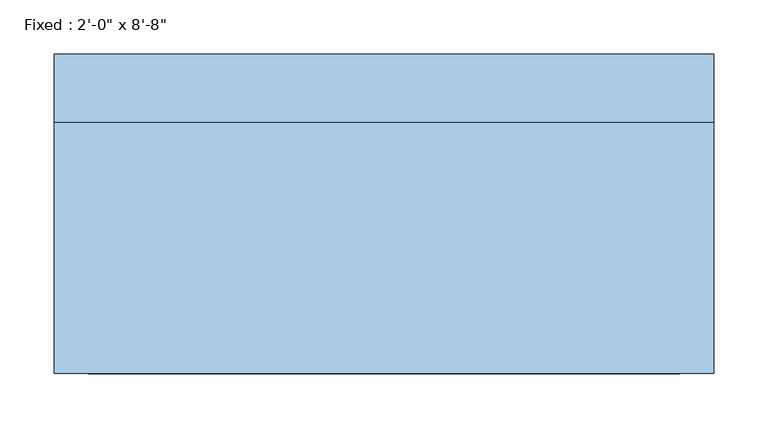
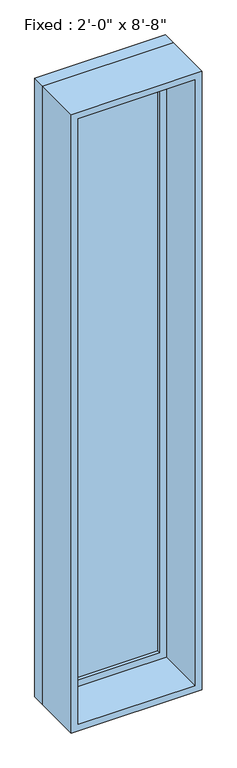
"""IFC4 building model written with IfcOpenShell, lengths in millimetres: window geometry."""

import ifcopenshell
import ifcopenshell.guid

model = None  # the IFC model being written
_history = None  # IfcOwnerHistory: only IFC2X3 demands one
_inside = {}  # id of a spatial element -> (the spatial element, [elements in it])
_under = {}  # id of a project, library or spatial element -> (it, [spatial elements below it])
_declared = {}  # id of a project -> (the project, [libraries it declares])
_typed = {}  # id of a type object -> (the type object, [elements of that type])
_made_of = {}  # id of a material, layer set ... -> (it, [elements and type objects made of it])


def new_model(schema):
    """Start an empty IFC model of exactly this schema.

    Asked for "IFC4X3", IfcOpenShell would pick the latest addendum, in which some entities
    have other attributes; the version numbers below select the first issue.
    IFC2X3 requires an IfcOwnerHistory on every rooted entity: one is made here for all.
    """
    global model, _history
    if schema == "IFC4X3":
        model = ifcopenshell.file(schema_version=(4, 3, 0, 0))
    else:
        model = ifcopenshell.file(schema=schema)
    _inside.clear()
    _under.clear()
    _declared.clear()
    _typed.clear()
    _made_of.clear()
    _history = None
    if model.schema == "IFC2X3":
        org = make("IfcOrganization", Name="unknown")
        user = make(
            "IfcPersonAndOrganization",
            ThePerson=make("IfcPerson", FamilyName="unknown"),
            TheOrganization=org,
        )
        app = make(
            "IfcApplication",
            ApplicationDeveloper=org,
            Version="unknown",
            ApplicationFullName="unknown",
            ApplicationIdentifier="unknown",
        )
        _history = make(
            "IfcOwnerHistory",
            OwningUser=user,
            OwningApplication=app,
            ChangeAction="ADDED",
            CreationDate=0,
        )
    return model


def make(cls, **values):
    """One entity of the class cls with the attributes given. An attribute that is None is left unset."""
    return model.create_entity(
        cls, **{name: value for name, value in values.items() if value is not None}
    )


def rooted(cls, **values):
    """An entity with a GlobalId (a new one), such as an element, a storey or a relation."""
    return make(cls, GlobalId=ifcopenshell.guid.new(), OwnerHistory=_history, **values)


def si_unit(unit_type, name, prefix=None):
    """IfcSIUnit, for example si_unit("LENGTHUNIT", "METRE", prefix="MILLI")."""
    return make("IfcSIUnit", UnitType=unit_type, Prefix=prefix, Name=name)


def assignment(units):
    """IfcUnitAssignment: the units of a project."""
    return None if units is None else make("IfcUnitAssignment", Units=units)


def point(xyz):
    """IfcCartesianPoint."""
    return None if xyz is None else make("IfcCartesianPoint", Coordinates=xyz)


def direction(xyz):
    """IfcDirection."""
    return None if xyz is None else make("IfcDirection", DirectionRatios=xyz)


def frame(location, z_axis=None, x_axis=None):
    """IfcAxis2Placement3D, a coordinate frame: its origin and axes. An axis left out is left unset."""
    return make(
        "IfcAxis2Placement3D",
        Location=point(location),
        Axis=direction(z_axis),
        RefDirection=direction(x_axis),
    )


def origin():
    """The frame at (0, 0, 0) with its axes left unset."""
    return frame((0.0, 0.0, 0.0))


def place(relative_to, where):
    """IfcLocalPlacement: puts the frame where relative to a parent placement (None: the world)."""
    return make(
        "IfcLocalPlacement", PlacementRelTo=relative_to, RelativePlacement=where
    )


def context(
    kind, dimensions, precision=None, world=None, true_north=None, identifier=None
):
    """IfcGeometricRepresentationContext, for example the 3D "Model" context."""
    return make(
        "IfcGeometricRepresentationContext",
        ContextIdentifier=identifier,
        ContextType=kind,
        CoordinateSpaceDimension=dimensions,
        Precision=precision,
        WorldCoordinateSystem=world,
        TrueNorth=true_north,
    )


def project(units=None, contexts=None):
    """IfcProject with its units and contexts."""
    return rooted(
        "IfcProject",
        Name="project",
        RepresentationContexts=contexts,
        UnitsInContext=assignment(units),
    )


def spatial(cls, under=None, at=None, **own):
    """A site, building, storey or space (cls), placed at a placement, below another one or the project."""
    s = rooted(cls, ObjectPlacement=at, **own)
    if under is not None:
        _under.setdefault(under.id(), (under, []))[1].append(s)
    return s


def polyline(points):
    """IfcPolyline through the points."""
    return make("IfcPolyline", Points=[point(p) for p in points])


def outline(outer, holes=None, kind="AREA"):
    """IfcArbitraryClosedProfileDef: a profile drawn as a closed curve; with holes, ...WithVoids."""
    if holes is None:
        return make("IfcArbitraryClosedProfileDef", ProfileType=kind, OuterCurve=outer)
    return make(
        "IfcArbitraryProfileDefWithVoids",
        ProfileType=kind,
        OuterCurve=outer,
        InnerCurves=holes,
    )


def extrude(swept, where, along, depth):
    """IfcExtrudedAreaSolid: the profile swept, set in the frame where, extruded along a direction by depth."""
    return make(
        "IfcExtrudedAreaSolid",
        SweptArea=swept,
        Position=where,
        ExtrudedDirection=direction(along),
        Depth=depth,
    )


def shape(context_of_items, identifier, shape_type, items):
    """IfcShapeRepresentation: the items that make up one representation, for example the "Body"."""
    return make(
        "IfcShapeRepresentation",
        ContextOfItems=context_of_items,
        RepresentationIdentifier=identifier,
        RepresentationType=shape_type,
        Items=items,
    )


def source(mapping_origin, context_of_items, identifier, shape_type, items):
    """IfcRepresentationMap: a shape defined once, which mapped items show again and again."""
    return make(
        "IfcRepresentationMap",
        MappingOrigin=mapping_origin,
        MappedRepresentation=shape(context_of_items, identifier, shape_type, items),
    )


def transform(
    local_origin,
    x_axis=None,
    y_axis=None,
    z_axis=None,
    scale=None,
    scale2=None,
    scale3=None,
    uniform=True,
):
    """IfcCartesianTransformationOperator3D, or its non-uniform kind. x_axis, y_axis, z_axis: its Axis1, 2, 3."""
    if uniform:
        return make(
            "IfcCartesianTransformationOperator3D",
            Axis1=direction(x_axis),
            Axis2=direction(y_axis),
            LocalOrigin=point(local_origin),
            Scale=scale,
            Axis3=direction(z_axis),
        )
    return make(
        "IfcCartesianTransformationOperator3DnonUniform",
        Axis1=direction(x_axis),
        Axis2=direction(y_axis),
        LocalOrigin=point(local_origin),
        Scale=scale,
        Axis3=direction(z_axis),
        Scale2=scale2,
        Scale3=scale3,
    )


def mapped(mapping_source, mapping_target):
    """IfcMappedItem: shows the shape of a source again, moved by a transform."""
    return make(
        "IfcMappedItem", MappingSource=mapping_source, MappingTarget=mapping_target
    )


def made_of(thing, what):
    """Note that an element or type object is made of a material, layer set ...; save() writes the relation."""
    if what is not None:
        _made_of.setdefault(what.id(), (what, []))[1].append(thing)
    return thing


def element(
    cls,
    number,
    at=None,
    inside=None,
    cuts=None,
    type_object=None,
    material=None,
    context=None,
    identifier="Body",
    shape_type=None,
    held_by="IfcProductDefinitionShape",
    body=None,
    shapes=None,
    **own,
):
    """One element of the class cls, such as IfcWall. Its Tag is "e" and its number.

    at: its placement. inside: the storey or other place that contains it. cuts: it is an
    opening in that element (IfcRelVoidsElement). A single representation is given by context,
    identifier, shape_type and body (its items); several are given by shapes. held_by: the class
    of the entity that holds the representations. save() writes the other relations.
    """
    e = rooted(cls, Tag="e%d" % number, ObjectPlacement=at, **own)
    if body is not None:
        shapes = [shape(context, identifier, shape_type, body)]
    if shapes is not None:
        e.Representation = make(held_by, Representations=shapes)
    if inside is not None:
        _inside.setdefault(inside.id(), (inside, []))[1].append(e)
    if cuts is not None:
        rooted(
            "IfcRelVoidsElement", RelatingBuildingElement=cuts, RelatedOpeningElement=e
        )
    if type_object is not None:
        _typed.setdefault(type_object.id(), (type_object, []))[1].append(e)
    return made_of(e, material)


def aggregate(whole, parts):
    """IfcRelAggregates: a whole, such as a stair, and the parts it consists of."""
    return rooted("IfcRelAggregates", RelatingObject=whole, RelatedObjects=parts)


def save(model, path):
    """Write the relations noted so far, then the file.

    IfcRelAggregates (storeys below a building ...), IfcRelContainedInSpatialStructure (elements
    in a storey), IfcRelDefinesByType, IfcRelAssociatesMaterial and IfcRelDeclares: one each for
    every whole, place, type object, material and project.
    """
    for whole, parts in _under.values():
        aggregate(whole, parts)
    for where, things in _inside.values():
        rooted(
            "IfcRelContainedInSpatialStructure",
            RelatedElements=things,
            RelatingStructure=where,
        )
    for kind, things in _typed.values():
        rooted("IfcRelDefinesByType", RelatedObjects=things, RelatingType=kind)
    for what, things in _made_of.values():
        rooted("IfcRelAssociatesMaterial", RelatedObjects=things, RelatingMaterial=what)
    for by, libraries in _declared.values():
        rooted("IfcRelDeclares", RelatingContext=by, RelatedDefinitions=libraries)
    model.write(path)


def window_1ca2a4f0(model_context):
    return source(origin(), model_context, "Body", "SweptSolid", [
        extrude(outline(polyline([(203.2, 100.0125), (-279.4, 100.0125), (-279.4, 112.7125), (203.2, 112.7125), (203.2, 100.0125)])), frame((0.0, 0.0, 368.3), z_axis=(0.0, 0.0, 1.0), x_axis=(1.0, 0.0, 0.0)), (0.0, 0.0, 1.0), 2921.0),
        extrude(outline(polyline([(3333.75, -323.85), (323.85, -323.85), (323.85, 247.65), (3333.75, 247.65), (3333.75, -323.85)]), holes=[polyline([(3289.3, -279.4), (3289.3, 203.2), (368.3, 203.2), (368.3, -279.4), (3289.3, -279.4)])]), frame((0.0, 84.1375, 0.0), z_axis=(0.0, 1.0, 0.0), x_axis=(0.0, 0.0, 1.0)), (0.0, 0.0, 1.0), 44.45),
        extrude(outline(polyline([(3352.8, -342.9), (304.8, -342.9), (304.8, 266.7), (3352.8, 266.7), (3352.8, -342.9)]), holes=[polyline([(3321.05, -311.15), (3321.05, 234.95), (336.55, 234.95), (336.55, -311.15), (3321.05, -311.15)])]), frame((0.0, -147.6375, 0.0), z_axis=(0.0, 1.0, 0.0), x_axis=(0.0, 0.0, 1.0)), (0.0, 0.0, 1.0), 231.775),
        extrude(outline(polyline([(3352.8, 266.7), (3352.8, -342.9), (304.8, -342.9), (304.8, 266.7), (3352.8, 266.7)]), holes=[polyline([(3333.75, 247.65), (323.85, 247.65), (323.85, -323.85), (3333.75, -323.85), (3333.75, 247.65)])]), frame((0.0, 84.1375, 0.0), z_axis=(0.0, 1.0, 0.0), x_axis=(0.0, 0.0, 1.0)), (0.0, 0.0, 1.0), 63.5),
    ])


if __name__ == "__main__":
    model = new_model("IFC4")
    model_context = context("Model", 3, world=origin())
    ifc_project = project(units=[si_unit("LENGTHUNIT", "METRE", prefix="MILLI")], contexts=[model_context])
    site = spatial("IfcSite", under=ifc_project)
    building = spatial("IfcBuilding", under=site)
    placement = place(None, origin())
    window_shape = window_1ca2a4f0(model_context)
    element("IfcWindow", 1, ObjectType="Fixed : 2'-0\" x 8'-8\"", at=placement, inside=building, context=model_context, shape_type="MappedRepresentation", body=[
        mapped(window_shape, transform((0.0, 0.0, 0.0), x_axis=(1.0, 0.0, 0.0), y_axis=(0.0, 1.0, 0.0), z_axis=(0.0, 0.0, 1.0))),
    ])
    save(model, "model.ifc")
